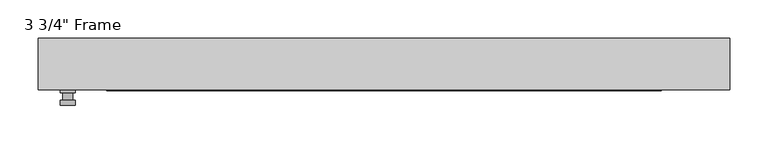
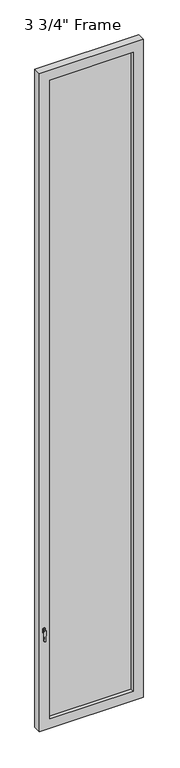
"""IFC4 building model written with IfcOpenShell, lengths in millimetres: plate geometry."""

from ifc_helpers import new_model, si_unit, frame, origin, place, context, project, spatial, polyline, circle_curve, outline, extrude, faceted_brep, source, transform, mapped, element, save
from ifc_brep_helpers import plane_surface, cylinder_surface, advanced_brep


def plate_8ab271c4(model_context):
    return source(origin(), model_context, "Body", "SolidModel", [
        advanced_brep(
        [(-401.6375, -33.3375, 927.1), (-401.6375, -33.3375, 901.7), (-420.6875, -33.3375, 901.7), (-420.6875, -33.3375, 927.1), (-404.8125, -46.0375, 914.4), (-417.5125, -46.0375, 914.4), (-417.5125, -36.5125, 914.4), (-404.8125, -36.5125, 914.4), (-401.6375, -46.0375, 914.4), (-404.8165356, -46.0375, 825.2736467), (-417.5084644, -46.0375, 825.2736467), (-420.6875, -46.0375, 914.4), (-401.6375, -52.3875, 914.4), (-420.6875, -52.3875, 914.4), (-417.5084644, -52.3875, 825.2736467), (-404.8165356, -52.3875, 825.2736467), (-401.6375, -36.5125, 927.1), (-420.6875, -36.5125, 927.1), (-420.6875, -36.5125, 901.7), (-401.6375, -36.5125, 901.7)],
        [
            (0, 1),
            (1, 2, circle_curve(frame((-411.1625, -33.3375, 901.7), z_axis=(0.0, 1.0, 0.0), x_axis=(-1.0, 0.0, 0.0)), 9.525)),
            (2, 3),
            (3, 0, circle_curve(frame((-411.1625, -33.3375, 927.1), z_axis=(0.0, 1.0, 0.0), x_axis=(-1.0, 0.0, 0.0)), 9.525)),
            (4, 5, circle_curve(frame((-411.1625, -46.0375, 914.4), z_axis=(0.0, 1.0, 0.0), x_axis=(-1.0, 0.0, 0.0)), 6.35)),
            (5, 6),
            (6, 7, circle_curve(frame((-411.1625, -36.5125, 914.4), z_axis=(0.0, -1.0, 0.0), x_axis=(-1.0, 0.0, 0.0)), 6.35)),
            (7, 4),
            (5, 4, circle_curve(frame((-411.1625, -46.0375, 914.4), z_axis=(0.0, 1.0, 0.0), x_axis=(-1.0, 0.0, 0.0)), 6.35)),
            (7, 6, circle_curve(frame((-411.1625, -36.5125, 914.4), z_axis=(0.0, -1.0, 0.0), x_axis=(-1.0, 0.0, 0.0)), 6.35)),
            (8, 9),
            (9, 10, circle_curve(frame((-411.1625, -46.0375, 825.5), z_axis=(0.0, 1.0, 0.0), x_axis=(-1.0, 0.0, 0.0)), 6.35)),
            (10, 11),
            (11, 8, circle_curve(frame((-411.1625, -46.0375, 914.4), z_axis=(0.0, 1.0, 0.0), x_axis=(-1.0, 0.0, 0.0)), 9.525)),
            (12, 13, circle_curve(frame((-411.1625, -52.3875, 914.4), z_axis=(0.0, -1.0, 0.0), x_axis=(-1.0, 0.0, 0.0)), 9.525)),
            (13, 14),
            (14, 15, circle_curve(frame((-411.1625, -52.3875, 825.5), z_axis=(0.0, -1.0, 0.0), x_axis=(-1.0, 0.0, 0.0)), 6.35)),
            (15, 12),
            (8, 12),
            (15, 9),
            (14, 10),
            (13, 11),
            (16, 17, circle_curve(frame((-411.1625, -36.5125, 927.1), z_axis=(0.0, -1.0, 0.0), x_axis=(-1.0, 0.0, 0.0)), 9.525)),
            (17, 18),
            (18, 19, circle_curve(frame((-411.1625, -36.5125, 901.7), z_axis=(0.0, -1.0, 0.0), x_axis=(-1.0, 0.0, 0.0)), 9.525)),
            (19, 16),
            (0, 16),
            (19, 1),
            (18, 2),
            (17, 3),
        ],
        [
            plane_surface(frame((-417.5125, -33.3375, 914.4), z_axis=(0.0, 1.0, 0.0), x_axis=(0.0, 0.0, 1.0))),
            cylinder_surface(frame((-411.1625, -46.0375, 914.4), z_axis=(0.0, 1.0, 0.0), x_axis=(-1.0, 0.0, 0.0)), 6.35),
            plane_surface(frame((-401.6375, -46.0375, 914.4), z_axis=(0.0, 1.0000000000000002, 0.0), x_axis=(-0.03564619348186888, 0.0, -0.9993644724975235))),
            plane_surface(frame((-401.6375, -52.3875, 914.4), z_axis=(0.0, -1.0000000000000002, 0.0), x_axis=(0.03564619348186888, 0.0, 0.9993644724975235))),
            plane_surface(frame((-401.6375, -46.0375, 914.4), z_axis=(0.9993644724975235, 0.0, -0.03564619348186888), x_axis=(0.0, -1.0, 0.0))),
            cylinder_surface(frame((-411.1625, -52.3875, 825.5), z_axis=(0.0, 1.0, 0.0), x_axis=(-1.0, 0.0, 0.0)), 6.35),
            plane_surface(frame((-417.5084644, -46.0375, 825.2736467), z_axis=(-0.9993644724975228, 0.0, -0.03564619348188612), x_axis=(0.0, -1.0, 0.0))),
            cylinder_surface(frame((-411.1625, -52.3875, 914.4), z_axis=(0.0, 1.0, 0.0), x_axis=(-1.0, 0.0, 0.0)), 9.525),
            plane_surface(frame((-401.6375, -36.5125, 901.7), z_axis=(0.0, -1.0, 0.0), x_axis=(0.0, 0.0, 1.0))),
            plane_surface(frame((-401.6375, -33.3375, 927.1), z_axis=(1.0, 0.0, 0.0), x_axis=(0.0, -1.0, 0.0))),
            cylinder_surface(frame((-411.1625, -36.5125, 901.7), z_axis=(0.0, 1.0, 0.0), x_axis=(-1.0, 0.0, 0.0)), 9.525),
            plane_surface(frame((-420.6875, -33.3375, 901.7), z_axis=(-1.0, 0.0, 0.0), x_axis=(0.0, -1.0, 0.0))),
            cylinder_surface(frame((-411.1625, -36.5125, 927.1), z_axis=(0.0, 1.0, 0.0), x_axis=(-1.0, 0.0, 0.0)), 9.525),
        ],
        [
            (0, [[1, 2, 3, 4]]),
            (1, [[5, 6, 7, 8]]),
            (1, [[9, -8, 10, -6]]),
            (2, [[11, 12, 13, 14], [-5, -9]]),
            (3, [[15, 16, 17, 18]]),
            (4, [[-11, 19, -18, 20]]),
            (5, [[-12, -20, -17, 21]]),
            (6, [[-13, -21, -16, 22]]),
            (7, [[-14, -22, -15, -19]]),
            (8, [[23, 24, 25, 26], [-7, -10]]),
            (9, [[-1, 27, -26, 28]]),
            (10, [[-2, -28, -25, 29]]),
            (11, [[-3, -29, -24, 30]]),
            (12, [[-4, -30, -23, -27]]),
        ],
    ),
        faceted_brep([(-449.2625, -33.3375, 0.0), (-449.2625, 33.3375, 0.0), (449.2625, 33.3375, 0.0), (449.2625, -33.3375, 0.0), (449.2625, -33.3375, 6010.275), (-449.2625, -33.3375, 6010.275), (-360.3625, -33.3375, 5921.375), (360.3625, -33.3375, 5921.375), (360.3625, -33.3375, 88.9), (-360.3625, -33.3375, 88.9), (-449.2625, 33.3375, 6010.275), (449.2625, 33.3375, 6010.275), (-360.3625, 33.3375, 5921.375), (-360.3625, 33.3375, 88.9), (360.3625, 33.3375, 88.9), (360.3625, 33.3375, 5921.375), (-354.0125, 11.90625, 5915.025), (-354.0125, 11.90625, 95.25), (366.7125, 11.90625, 5927.725), (-366.7125, 11.90625, 5927.725), (-366.7125, 11.90625, 82.55), (366.7125, 11.90625, 82.55), (354.0125, 11.90625, 5915.025), (354.0125, 11.90625, 95.25), (-366.7125, -11.90625, 5927.725), (-366.7125, -11.90625, 82.55), (366.7125, -11.90625, 5927.725), (366.7125, -11.90625, 82.55), (-354.0125, -11.90625, 5915.025), (-354.0125, -11.90625, 95.25), (354.0125, -11.90625, 95.25), (354.0125, -11.90625, 5915.025)], [[[0, 1, 2, 3]], [[0, 3, 4, 5], [6, 7, 8, 9]], [[1, 0, 5, 10]], [[2, 1, 10, 11], [12, 13, 14, 15]], [[12, 16, 17, 13]], [[18, 19, 20, 21], [16, 22, 23, 17]], [[20, 19, 24, 25]], [[24, 26, 27, 25], [28, 29, 30, 31]], [[28, 6, 9, 29]], [[5, 4, 11, 10]], [[12, 15, 22, 16]], [[19, 18, 26, 24]], [[7, 6, 28, 31]], [[4, 3, 2, 11]], [[22, 15, 14, 23]], [[27, 26, 18, 21]], [[7, 31, 30, 8]], [[9, 8, 30, 29]], [[21, 20, 25, 27]], [[17, 23, 14, 13]]]),
        extrude(outline(polyline([(366.7125, -11.90625), (-366.7125, -11.90625), (-366.7125, 11.90625), (366.7125, 11.90625), (366.7125, -11.90625)])), frame((0.0, 0.0, 82.55), z_axis=(0.0, 0.0, 1.0), x_axis=(1.0, 0.0, 0.0)), (0.0, 0.0, 1.0), 5845.175),
    ])


if __name__ == "__main__":
    model = new_model("IFC4")
    model_context = context("Model", 3, world=origin())
    ifc_project = project(units=[si_unit("LENGTHUNIT", "METRE", prefix="MILLI")], contexts=[model_context])
    site = spatial("IfcSite", under=ifc_project)
    building = spatial("IfcBuilding", under=site)
    placement = place(None, origin())
    plate_shape = plate_8ab271c4(model_context)
    element("IfcPlate", 1, ObjectType="3 3/4\" Frame", at=placement, inside=building, context=model_context, shape_type="MappedRepresentation", body=[
        mapped(plate_shape, transform((0.0, 0.0, 0.0), x_axis=(1.0, 0.0, 0.0), y_axis=(0.0, 1.0, 0.0), z_axis=(0.0, 0.0, 1.0))),
    ])
    save(model, "model.ifc")
